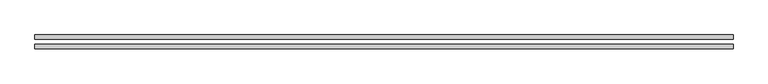
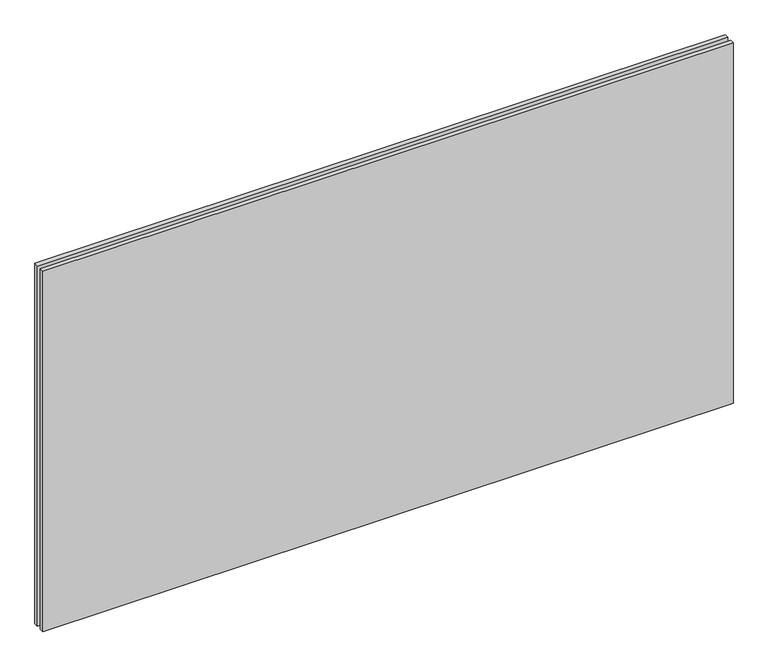
"""IFC4 building model written with IfcOpenShell, lengths in millimetres: plate geometry."""

from ifc_helpers import new_model, si_unit, origin, origin_with_axes, place, context, project, spatial, polyline, outline, extrude, source, transform, mapped, element, save


def plate_43cf55f4(model_context):
    return source(origin(), model_context, "Body", "SweptSolid", [
        extrude(outline(polyline([(627.75, -40.8), (-627.75, -40.8), (-627.75, -32.8), (627.75, -32.8), (627.75, -40.8)])), origin_with_axes(), (0.0, 0.0, 1.0), 693.2),
        extrude(outline(polyline([(627.75, -23.8), (-627.75, -23.8), (-627.75, -15.8), (627.75, -15.8), (627.75, -23.8)])), origin_with_axes(), (0.0, 0.0, 1.0), 693.2),
    ])


if __name__ == "__main__":
    model = new_model("IFC4")
    model_context = context("Model", 3, world=origin())
    ifc_project = project(units=[si_unit("LENGTHUNIT", "METRE", prefix="MILLI")], contexts=[model_context])
    site = spatial("IfcSite", under=ifc_project)
    building = spatial("IfcBuilding", under=site)
    placement = place(None, origin())
    plate_shape = plate_43cf55f4(model_context)
    element("IfcPlate", 1, at=placement, inside=building, context=model_context, shape_type="MappedRepresentation", body=[
        mapped(plate_shape, transform((0.0, 0.0, 0.0), x_axis=(1.0, 0.0, 0.0), y_axis=(0.0, 1.0, 0.0), z_axis=(0.0, 0.0, 1.0))),
    ])
    save(model, "model.ifc")
